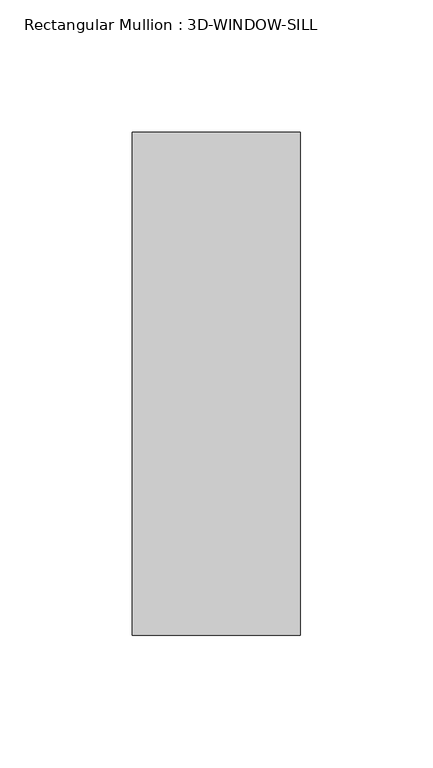
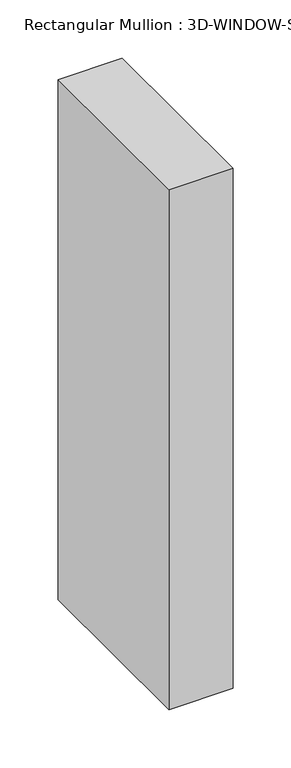
"""IFC4 building model written with IfcOpenShell, lengths in millimetres: member geometry, Rectangular Mullion : 3D-WINDOW-SILL."""

from ifc_helpers import new_model, si_unit, frame, origin, place, context, project, spatial, polyline, outline, extrude, source, transform, mapped, element, save


def rectangular_mullion_3d_window_sill_e9c53140(model_context):
    return source(origin(), model_context, "Body", "SweptSolid", [
        extrude(outline(polyline([(31.75, 96.980375), (31.75, -93.011625), (-31.75, -93.011625), (-31.75, 96.980375), (31.75, 96.980375)])), frame((0.0, 0.0, -544.6009029), z_axis=(0.0, 0.0, 1.0), x_axis=(1.0, 0.0, 0.0)), (0.0, 0.0, 1.0), 544.6009029),
    ])


if __name__ == "__main__":
    model = new_model("IFC4")
    model_context = context("Model", 3, world=origin())
    ifc_project = project(units=[si_unit("LENGTHUNIT", "METRE", prefix="MILLI")], contexts=[model_context])
    site = spatial("IfcSite", under=ifc_project)
    building = spatial("IfcBuilding", under=site)
    placement = place(None, origin())
    rectangular_mullion_3d_window_sill_shape = rectangular_mullion_3d_window_sill_e9c53140(model_context)
    element("IfcMember", 1, ObjectType="Rectangular Mullion : 3D-WINDOW-SILL", at=placement, inside=building, context=model_context, shape_type="MappedRepresentation", body=[
        mapped(rectangular_mullion_3d_window_sill_shape, transform((0.0, 0.0, 0.0), x_axis=(1.0, 0.0, 0.0), y_axis=(0.0, 1.0, 0.0), z_axis=(0.0, 0.0, 1.0))),
    ])
    save(model, "model.ifc")
